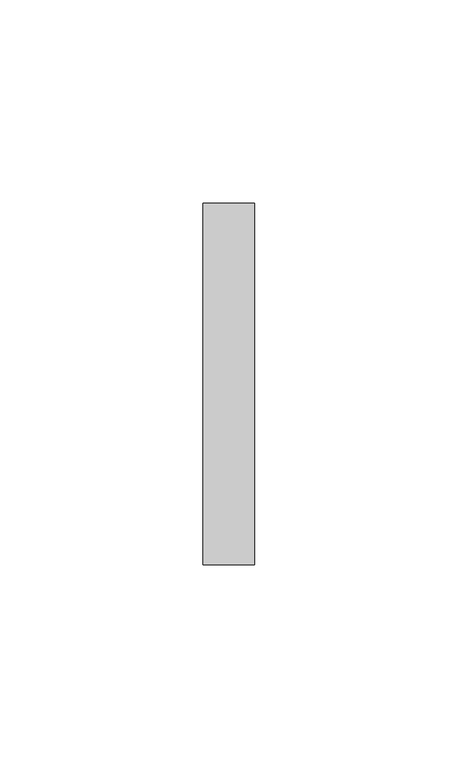
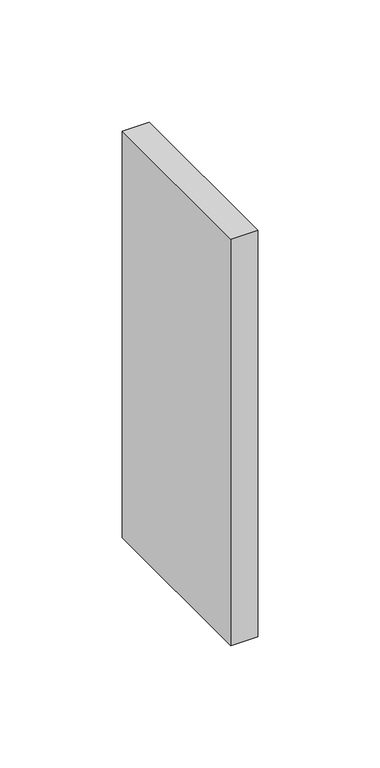
"""IFC4 building model written with IfcOpenShell, lengths in millimetres: furniture geometry."""

import ifcopenshell
import ifcopenshell.guid

model = None  # the IFC model being written
_history = None  # IfcOwnerHistory: only IFC2X3 demands one
_inside = {}  # id of a spatial element -> (the spatial element, [elements in it])
_under = {}  # id of a project, library or spatial element -> (it, [spatial elements below it])
_declared = {}  # id of a project -> (the project, [libraries it declares])
_typed = {}  # id of a type object -> (the type object, [elements of that type])
_made_of = {}  # id of a material, layer set ... -> (it, [elements and type objects made of it])


def new_model(schema):
    """Start an empty IFC model of exactly this schema.

    Asked for "IFC4X3", IfcOpenShell would pick the latest addendum, in which some entities
    have other attributes; the version numbers below select the first issue.
    IFC2X3 requires an IfcOwnerHistory on every rooted entity: one is made here for all.
    """
    global model, _history
    if schema == "IFC4X3":
        model = ifcopenshell.file(schema_version=(4, 3, 0, 0))
    else:
        model = ifcopenshell.file(schema=schema)
    _inside.clear()
    _under.clear()
    _declared.clear()
    _typed.clear()
    _made_of.clear()
    _history = None
    if model.schema == "IFC2X3":
        org = make("IfcOrganization", Name="unknown")
        user = make(
            "IfcPersonAndOrganization",
            ThePerson=make("IfcPerson", FamilyName="unknown"),
            TheOrganization=org,
        )
        app = make(
            "IfcApplication",
            ApplicationDeveloper=org,
            Version="unknown",
            ApplicationFullName="unknown",
            ApplicationIdentifier="unknown",
        )
        _history = make(
            "IfcOwnerHistory",
            OwningUser=user,
            OwningApplication=app,
            ChangeAction="ADDED",
            CreationDate=0,
        )
    return model


def make(cls, **values):
    """One entity of the class cls with the attributes given. An attribute that is None is left unset."""
    return model.create_entity(
        cls, **{name: value for name, value in values.items() if value is not None}
    )


def rooted(cls, **values):
    """An entity with a GlobalId (a new one), such as an element, a storey or a relation."""
    return make(cls, GlobalId=ifcopenshell.guid.new(), OwnerHistory=_history, **values)


def si_unit(unit_type, name, prefix=None):
    """IfcSIUnit, for example si_unit("LENGTHUNIT", "METRE", prefix="MILLI")."""
    return make("IfcSIUnit", UnitType=unit_type, Prefix=prefix, Name=name)


def assignment(units):
    """IfcUnitAssignment: the units of a project."""
    return None if units is None else make("IfcUnitAssignment", Units=units)


def point(xyz):
    """IfcCartesianPoint."""
    return None if xyz is None else make("IfcCartesianPoint", Coordinates=xyz)


def direction(xyz):
    """IfcDirection."""
    return None if xyz is None else make("IfcDirection", DirectionRatios=xyz)


def frame(location, z_axis=None, x_axis=None):
    """IfcAxis2Placement3D, a coordinate frame: its origin and axes. An axis left out is left unset."""
    return make(
        "IfcAxis2Placement3D",
        Location=point(location),
        Axis=direction(z_axis),
        RefDirection=direction(x_axis),
    )


def origin():
    """The frame at (0, 0, 0) with its axes left unset."""
    return frame((0.0, 0.0, 0.0))


def place(relative_to, where):
    """IfcLocalPlacement: puts the frame where relative to a parent placement (None: the world)."""
    return make(
        "IfcLocalPlacement", PlacementRelTo=relative_to, RelativePlacement=where
    )


def context(
    kind, dimensions, precision=None, world=None, true_north=None, identifier=None
):
    """IfcGeometricRepresentationContext, for example the 3D "Model" context."""
    return make(
        "IfcGeometricRepresentationContext",
        ContextIdentifier=identifier,
        ContextType=kind,
        CoordinateSpaceDimension=dimensions,
        Precision=precision,
        WorldCoordinateSystem=world,
        TrueNorth=true_north,
    )


def project(units=None, contexts=None):
    """IfcProject with its units and contexts."""
    return rooted(
        "IfcProject",
        Name="project",
        RepresentationContexts=contexts,
        UnitsInContext=assignment(units),
    )


def spatial(cls, under=None, at=None, **own):
    """A site, building, storey or space (cls), placed at a placement, below another one or the project."""
    s = rooted(cls, ObjectPlacement=at, **own)
    if under is not None:
        _under.setdefault(under.id(), (under, []))[1].append(s)
    return s


def polyline(points):
    """IfcPolyline through the points."""
    return make("IfcPolyline", Points=[point(p) for p in points])


def outline(outer, holes=None, kind="AREA"):
    """IfcArbitraryClosedProfileDef: a profile drawn as a closed curve; with holes, ...WithVoids."""
    if holes is None:
        return make("IfcArbitraryClosedProfileDef", ProfileType=kind, OuterCurve=outer)
    return make(
        "IfcArbitraryProfileDefWithVoids",
        ProfileType=kind,
        OuterCurve=outer,
        InnerCurves=holes,
    )


def extrude(swept, where, along, depth):
    """IfcExtrudedAreaSolid: the profile swept, set in the frame where, extruded along a direction by depth."""
    return make(
        "IfcExtrudedAreaSolid",
        SweptArea=swept,
        Position=where,
        ExtrudedDirection=direction(along),
        Depth=depth,
    )


def shape(context_of_items, identifier, shape_type, items):
    """IfcShapeRepresentation: the items that make up one representation, for example the "Body"."""
    return make(
        "IfcShapeRepresentation",
        ContextOfItems=context_of_items,
        RepresentationIdentifier=identifier,
        RepresentationType=shape_type,
        Items=items,
    )


def source(mapping_origin, context_of_items, identifier, shape_type, items):
    """IfcRepresentationMap: a shape defined once, which mapped items show again and again."""
    return make(
        "IfcRepresentationMap",
        MappingOrigin=mapping_origin,
        MappedRepresentation=shape(context_of_items, identifier, shape_type, items),
    )


def transform(
    local_origin,
    x_axis=None,
    y_axis=None,
    z_axis=None,
    scale=None,
    scale2=None,
    scale3=None,
    uniform=True,
):
    """IfcCartesianTransformationOperator3D, or its non-uniform kind. x_axis, y_axis, z_axis: its Axis1, 2, 3."""
    if uniform:
        return make(
            "IfcCartesianTransformationOperator3D",
            Axis1=direction(x_axis),
            Axis2=direction(y_axis),
            LocalOrigin=point(local_origin),
            Scale=scale,
            Axis3=direction(z_axis),
        )
    return make(
        "IfcCartesianTransformationOperator3DnonUniform",
        Axis1=direction(x_axis),
        Axis2=direction(y_axis),
        LocalOrigin=point(local_origin),
        Scale=scale,
        Axis3=direction(z_axis),
        Scale2=scale2,
        Scale3=scale3,
    )


def mapped(mapping_source, mapping_target):
    """IfcMappedItem: shows the shape of a source again, moved by a transform."""
    return make(
        "IfcMappedItem", MappingSource=mapping_source, MappingTarget=mapping_target
    )


def made_of(thing, what):
    """Note that an element or type object is made of a material, layer set ...; save() writes the relation."""
    if what is not None:
        _made_of.setdefault(what.id(), (what, []))[1].append(thing)
    return thing


def element(
    cls,
    number,
    at=None,
    inside=None,
    cuts=None,
    type_object=None,
    material=None,
    context=None,
    identifier="Body",
    shape_type=None,
    held_by="IfcProductDefinitionShape",
    body=None,
    shapes=None,
    **own,
):
    """One element of the class cls, such as IfcWall. Its Tag is "e" and its number.

    at: its placement. inside: the storey or other place that contains it. cuts: it is an
    opening in that element (IfcRelVoidsElement). A single representation is given by context,
    identifier, shape_type and body (its items); several are given by shapes. held_by: the class
    of the entity that holds the representations. save() writes the other relations.
    """
    e = rooted(cls, Tag="e%d" % number, ObjectPlacement=at, **own)
    if body is not None:
        shapes = [shape(context, identifier, shape_type, body)]
    if shapes is not None:
        e.Representation = make(held_by, Representations=shapes)
    if inside is not None:
        _inside.setdefault(inside.id(), (inside, []))[1].append(e)
    if cuts is not None:
        rooted(
            "IfcRelVoidsElement", RelatingBuildingElement=cuts, RelatedOpeningElement=e
        )
    if type_object is not None:
        _typed.setdefault(type_object.id(), (type_object, []))[1].append(e)
    return made_of(e, material)


def aggregate(whole, parts):
    """IfcRelAggregates: a whole, such as a stair, and the parts it consists of."""
    return rooted("IfcRelAggregates", RelatingObject=whole, RelatedObjects=parts)


def save(model, path):
    """Write the relations noted so far, then the file.

    IfcRelAggregates (storeys below a building ...), IfcRelContainedInSpatialStructure (elements
    in a storey), IfcRelDefinesByType, IfcRelAssociatesMaterial and IfcRelDeclares: one each for
    every whole, place, type object, material and project.
    """
    for whole, parts in _under.values():
        aggregate(whole, parts)
    for where, things in _inside.values():
        rooted(
            "IfcRelContainedInSpatialStructure",
            RelatedElements=things,
            RelatingStructure=where,
        )
    for kind, things in _typed.values():
        rooted("IfcRelDefinesByType", RelatedObjects=things, RelatingType=kind)
    for what, things in _made_of.values():
        rooted("IfcRelAssociatesMaterial", RelatedObjects=things, RelatingMaterial=what)
    for by, libraries in _declared.values():
        rooted("IfcRelDeclares", RelatingContext=by, RelatedDefinitions=libraries)
    model.write(path)


def furniture_4d69f5ed(model_context):
    return source(origin(), model_context, "Body", "SweptSolid", [
        extrude(outline(polyline([(7.3293982, 38.6537944), (7.3293982, -50.2462056), (-5.3706018, -50.2462056), (-5.3706018, 38.6537944), (7.3293982, 38.6537944)])), frame((0.0, 0.0, 774.7), z_axis=(0.0, 0.0, 1.0), x_axis=(1.0, 0.0, 0.0)), (0.0, 0.0, 1.0), 203.2),
    ])


if __name__ == "__main__":
    model = new_model("IFC4")
    model_context = context("Model", 3, world=origin())
    ifc_project = project(units=[si_unit("LENGTHUNIT", "METRE", prefix="MILLI")], contexts=[model_context])
    site = spatial("IfcSite", under=ifc_project)
    building = spatial("IfcBuilding", under=site)
    placement = place(None, origin())
    furniture_shape = furniture_4d69f5ed(model_context)
    element("IfcFurniture", 1, at=placement, inside=building, context=model_context, shape_type="MappedRepresentation", body=[
        mapped(furniture_shape, transform((0.0, 0.0, 0.0), x_axis=(1.0, 0.0, 0.0), y_axis=(0.0, 1.0, 0.0), z_axis=(0.0, 0.0, 1.0))),
    ])
    save(model, "model.ifc")
